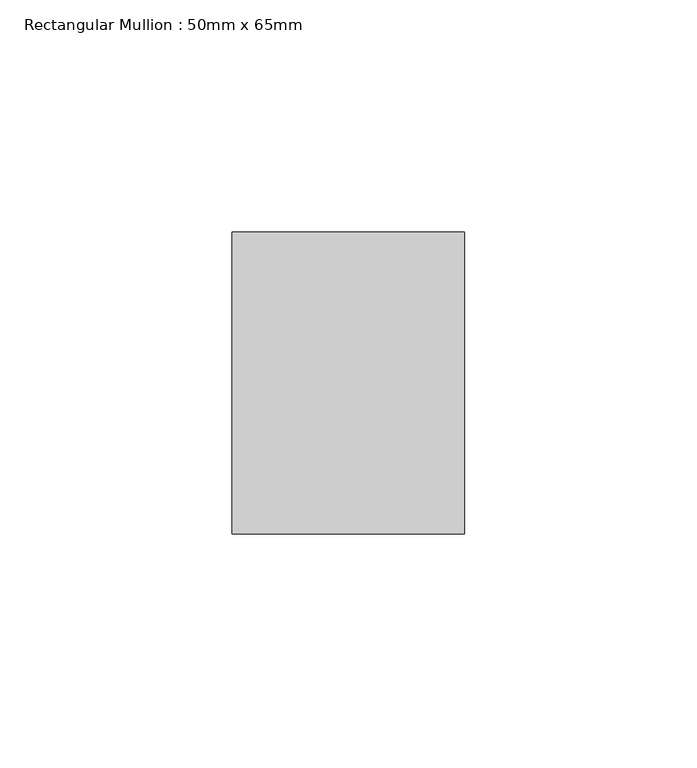
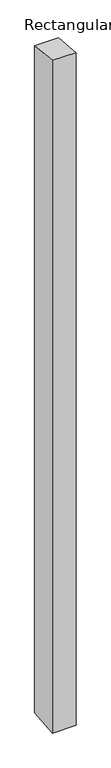
"""IFC4 building model written with IfcOpenShell, lengths in millimetres: member geometry, Rectangular Mullion : 50mm x 65mm."""

from ifc_helpers import new_model, si_unit, origin, place, context, project, spatial, faceted_brep, source, transform, mapped, element, save


def rectangular_mullion_50mm_x_65mm_24e4be0a(model_context):
    return source(origin(), model_context, "Body", "Brep", [
        faceted_brep([(-25.0, 32.5, -3.3716777), (25.0, 32.5, -3.3716832), (25.0, 32.5, -1496.8525603), (-25.0, 32.5, -1496.8525655), (-25.0, -32.5, 3.3716832), (-25.0, -32.5, -1503.1464352), (25.0, -32.5, 3.3716777), (25.0, -32.5, -1503.14643)], [[[0, 1, 2, 3]], [[4, 0, 3, 5]], [[6, 4, 5, 7]], [[1, 6, 7, 2]], [[1, 0, 4, 6]], [[2, 7, 5, 3]]]),
    ])


if __name__ == "__main__":
    model = new_model("IFC4")
    model_context = context("Model", 3, world=origin())
    ifc_project = project(units=[si_unit("LENGTHUNIT", "METRE", prefix="MILLI")], contexts=[model_context])
    site = spatial("IfcSite", under=ifc_project)
    building = spatial("IfcBuilding", under=site)
    placement = place(None, origin())
    rectangular_mullion_50mm_x_65mm_shape = rectangular_mullion_50mm_x_65mm_24e4be0a(model_context)
    element("IfcMember", 1, ObjectType="Rectangular Mullion : 50mm x 65mm", at=placement, inside=building, context=model_context, shape_type="MappedRepresentation", body=[
        mapped(rectangular_mullion_50mm_x_65mm_shape, transform((0.0, 0.0, 0.0), x_axis=(1.0, 0.0, 0.0), y_axis=(0.0, 1.0, 0.0), z_axis=(0.0, 0.0, 1.0))),
    ])
    save(model, "model.ifc")
